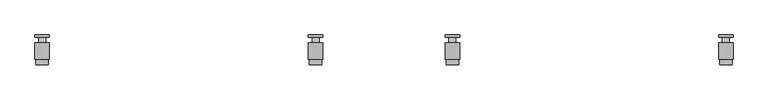
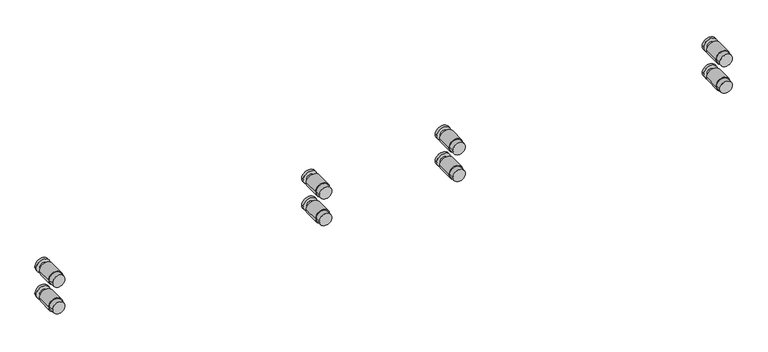
"""IFC4 building model written with IfcOpenShell, lengths in millimetres: railing geometry."""

from ifc_helpers import new_model, si_unit, frame, origin, place, context, project, spatial, circle_curve, source, transform, mapped, element, save
from ifc_brep_helpers import plane_surface, cylinder_surface, advanced_brep


def railing_08c0f5a3(model_context):
    return source(origin(), model_context, "Body", "AdvancedBrep", [
        advanced_brep(
        [(-11469.7747067, -26796.3362173, -150.0), (-11509.7747067, -26796.3362173, -150.0), (-11469.7747067, -26863.3362173, -150.0), (-11509.7747067, -26863.3362173, -150.0), (-11472.2747067, -26863.3362173, -150.0), (-11507.2747067, -26863.3362173, -150.0), (-11469.7747067, -26803.3362173, -150.0), (-11509.7747067, -26803.3362173, -150.0), (-11509.7747067, -26818.3362173, -150.0), (-11469.7747067, -26818.3362173, -150.0), (-11472.2747067, -26878.3362173, -150.0), (-11507.2747067, -26878.3362173, -150.0), (-11479.7747067, -26803.3362173, -150.0), (-11499.7747067, -26803.3362173, -150.0), (-11479.7747067, -26818.3362173, -150.0), (-11499.7747067, -26818.3362173, -150.0)],
        [
            (0, 1, circle_curve(frame((-11489.7747067, -26796.3362173, -150.0), z_axis=(0.0, 1.0, 0.0), x_axis=(-1.0000000000000002, 0.0, 0.0)), 20.0)),
            (1, 0, circle_curve(frame((-11489.7747067, -26796.3362173, -150.0), z_axis=(0.0, 1.0, 0.0), x_axis=(-1.0000000000000002, 0.0, 0.0)), 20.0)),
            (2, 3, circle_curve(frame((-11489.7747067, -26863.3362173, -150.0), z_axis=(0.0, -1.0, 0.0), x_axis=(-1.0000000000000002, 0.0, 0.0)), 20.0)),
            (3, 2, circle_curve(frame((-11489.7747067, -26863.3362173, -150.0), z_axis=(0.0, -1.0, 0.0), x_axis=(-1.0000000000000002, 0.0, 0.0)), 20.0)),
            (4, 5, circle_curve(frame((-11489.7747067, -26863.3362173, -150.0), z_axis=(0.0, 1.0, 0.0), x_axis=(-1.0000000000000002, 0.0, 0.0)), 17.5)),
            (5, 4, circle_curve(frame((-11489.7747067, -26863.3362173, -150.0), z_axis=(0.0, 1.0, 0.0), x_axis=(-1.0000000000000002, 0.0, 0.0)), 17.5)),
            (0, 6),
            (6, 7, circle_curve(frame((-11489.7747067, -26803.3362173, -150.0), z_axis=(0.0, 1.0, 0.0), x_axis=(-1.0000000000000002, 0.0, 0.0)), 20.0)),
            (7, 1),
            (3, 8),
            (8, 9, circle_curve(frame((-11489.7747067, -26818.3362173, -150.0), z_axis=(0.0, -1.0, 0.0), x_axis=(-1.0000000000000002, 0.0, 0.0)), 20.0)),
            (9, 2),
            (7, 6, circle_curve(frame((-11489.7747067, -26803.3362173, -150.0), z_axis=(0.0, 1.0, 0.0), x_axis=(-1.0000000000000002, 0.0, 0.0)), 20.0)),
            (9, 8, circle_curve(frame((-11489.7747067, -26818.3362173, -150.0), z_axis=(0.0, -1.0, 0.0), x_axis=(-1.0000000000000002, 0.0, 0.0)), 20.0)),
            (10, 11, circle_curve(frame((-11489.7747067, -26878.3362173, -150.0), z_axis=(0.0, -1.0, 0.0), x_axis=(-1.0000000000000002, 0.0, 0.0)), 17.5)),
            (11, 10, circle_curve(frame((-11489.7747067, -26878.3362173, -150.0), z_axis=(0.0, -1.0, 0.0), x_axis=(-1.0000000000000002, 0.0, 0.0)), 17.5)),
            (11, 5),
            (4, 10),
            (12, 13, circle_curve(frame((-11489.7747067, -26803.3362173, -150.0), z_axis=(0.0, 1.0, 0.0), x_axis=(-1.0000000000000002, 0.0, 0.0)), 10.0)),
            (13, 12, circle_curve(frame((-11489.7747067, -26803.3362173, -150.0), z_axis=(0.0, 1.0, 0.0), x_axis=(-1.0000000000000002, 0.0, 0.0)), 10.0)),
            (14, 15, circle_curve(frame((-11489.7747067, -26818.3362173, -150.0), z_axis=(0.0, -1.0, 0.0), x_axis=(-1.0000000000000002, 0.0, 0.0)), 10.0)),
            (15, 14, circle_curve(frame((-11489.7747067, -26818.3362173, -150.0), z_axis=(0.0, -1.0, 0.0), x_axis=(-1.0000000000000002, 0.0, 0.0)), 10.0)),
            (13, 15),
            (14, 12),
        ],
        [
            plane_surface(frame((-11509.7747067, -26796.3362173, -150.0), z_axis=(0.0, 1.0, 0.0), x_axis=(0.0, 0.0, 1.0))),
            plane_surface(frame((-11509.7747067, -26863.3362173, -150.0), z_axis=(0.0, -1.0, 0.0), x_axis=(0.0, 0.0, -1.0))),
            cylinder_surface(frame((-11489.7747067, -26863.3362173, -150.0), z_axis=(0.0, 1.0000000000000002, 0.0), x_axis=(-1.0000000000000002, 0.0, 0.0)), 20.0),
            plane_surface(frame((-11507.2747067, -26878.3362173, -150.0), z_axis=(0.0, -1.0, 0.0), x_axis=(0.0, 0.0, -1.0))),
            cylinder_surface(frame((-11489.7747067, -26878.3362173, -150.0), z_axis=(0.0, 1.0000000000000002, 0.0), x_axis=(-1.0000000000000002, 0.0, 0.0)), 17.5),
            plane_surface(frame((-11499.7747067, -26803.3362173, -150.0), z_axis=(0.0, -1.0, 0.0), x_axis=(0.0, 0.0, -1.0))),
            plane_surface(frame((-11499.7747067, -26818.3362173, -150.0), z_axis=(0.0, 1.0, 0.0), x_axis=(0.0, 0.0, 1.0))),
            cylinder_surface(frame((-11489.7747067, -26818.3362173, -150.0), z_axis=(0.0, -1.0000000000000002, 0.0), x_axis=(-1.0000000000000002, 0.0, 0.0)), 10.0),
        ],
        [
            (0, [[1, 2]]),
            (1, [[3, 4], [5, 6]]),
            (2, [[-1, 7, 8, 9]]),
            (2, [[-4, 10, 11, 12]]),
            (2, [[-2, -9, 13, -7]]),
            (2, [[-3, -12, 14, -10]]),
            (3, [[15, 16]]),
            (4, [[-16, 17, -5, 18]]),
            (4, [[-15, -18, -6, -17]]),
            (5, [[-8, -13], [19, 20]]),
            (6, [[-11, -14], [21, 22]]),
            (7, [[-20, 23, -21, 24]]),
            (7, [[-19, -24, -22, -23]]),
        ],
    ),
        advanced_brep(
        [(-11469.7747067, -26796.3362173, -70.0), (-11509.7747067, -26796.3362173, -70.0), (-11469.7747067, -26863.3362173, -70.0), (-11509.7747067, -26863.3362173, -70.0), (-11472.2747067, -26863.3362173, -70.0), (-11507.2747067, -26863.3362173, -70.0), (-11469.7747067, -26803.3362173, -70.0), (-11509.7747067, -26803.3362173, -70.0), (-11509.7747067, -26818.3362173, -70.0), (-11469.7747067, -26818.3362173, -70.0), (-11472.2747067, -26878.3362173, -70.0), (-11507.2747067, -26878.3362173, -70.0), (-11479.7747067, -26803.3362173, -70.0), (-11499.7747067, -26803.3362173, -70.0), (-11479.7747067, -26818.3362173, -70.0), (-11499.7747067, -26818.3362173, -70.0)],
        [
            (0, 1, circle_curve(frame((-11489.7747067, -26796.3362173, -70.0), z_axis=(0.0, 1.0, 0.0), x_axis=(-1.0000000000000002, 0.0, 0.0)), 20.0)),
            (1, 0, circle_curve(frame((-11489.7747067, -26796.3362173, -70.0), z_axis=(0.0, 1.0, 0.0), x_axis=(-1.0000000000000002, 0.0, 0.0)), 20.0)),
            (2, 3, circle_curve(frame((-11489.7747067, -26863.3362173, -70.0), z_axis=(0.0, -1.0, 0.0), x_axis=(-1.0000000000000002, 0.0, 0.0)), 20.0)),
            (3, 2, circle_curve(frame((-11489.7747067, -26863.3362173, -70.0), z_axis=(0.0, -1.0, 0.0), x_axis=(-1.0000000000000002, 0.0, 0.0)), 20.0)),
            (4, 5, circle_curve(frame((-11489.7747067, -26863.3362173, -70.0), z_axis=(0.0, 1.0, 0.0), x_axis=(-1.0000000000000002, 0.0, 0.0)), 17.5)),
            (5, 4, circle_curve(frame((-11489.7747067, -26863.3362173, -70.0), z_axis=(0.0, 1.0, 0.0), x_axis=(-1.0000000000000002, 0.0, 0.0)), 17.5)),
            (0, 6),
            (6, 7, circle_curve(frame((-11489.7747067, -26803.3362173, -70.0), z_axis=(0.0, 1.0, 0.0), x_axis=(-1.0000000000000002, 0.0, 0.0)), 20.0)),
            (7, 1),
            (3, 8),
            (8, 9, circle_curve(frame((-11489.7747067, -26818.3362173, -70.0), z_axis=(0.0, -1.0, 0.0), x_axis=(-1.0000000000000002, 0.0, 0.0)), 20.0)),
            (9, 2),
            (7, 6, circle_curve(frame((-11489.7747067, -26803.3362173, -70.0), z_axis=(0.0, 1.0, 0.0), x_axis=(-1.0000000000000002, 0.0, 0.0)), 20.0)),
            (9, 8, circle_curve(frame((-11489.7747067, -26818.3362173, -70.0), z_axis=(0.0, -1.0, 0.0), x_axis=(-1.0000000000000002, 0.0, 0.0)), 20.0)),
            (10, 11, circle_curve(frame((-11489.7747067, -26878.3362173, -70.0), z_axis=(0.0, -1.0, 0.0), x_axis=(-1.0000000000000002, 0.0, 0.0)), 17.5)),
            (11, 10, circle_curve(frame((-11489.7747067, -26878.3362173, -70.0), z_axis=(0.0, -1.0, 0.0), x_axis=(-1.0000000000000002, 0.0, 0.0)), 17.5)),
            (11, 5),
            (4, 10),
            (12, 13, circle_curve(frame((-11489.7747067, -26803.3362173, -70.0), z_axis=(0.0, 1.0, 0.0), x_axis=(-1.0000000000000002, 0.0, 0.0)), 10.0)),
            (13, 12, circle_curve(frame((-11489.7747067, -26803.3362173, -70.0), z_axis=(0.0, 1.0, 0.0), x_axis=(-1.0000000000000002, 0.0, 0.0)), 10.0)),
            (14, 15, circle_curve(frame((-11489.7747067, -26818.3362173, -70.0), z_axis=(0.0, -1.0, 0.0), x_axis=(-1.0000000000000002, 0.0, 0.0)), 10.0)),
            (15, 14, circle_curve(frame((-11489.7747067, -26818.3362173, -70.0), z_axis=(0.0, -1.0, 0.0), x_axis=(-1.0000000000000002, 0.0, 0.0)), 10.0)),
            (13, 15),
            (14, 12),
        ],
        [
            plane_surface(frame((-11509.7747067, -26796.3362173, -70.0), z_axis=(0.0, 1.0, 0.0), x_axis=(0.0, 0.0, 1.0))),
            plane_surface(frame((-11509.7747067, -26863.3362173, -70.0), z_axis=(0.0, -1.0, 0.0), x_axis=(0.0, 0.0, -1.0))),
            cylinder_surface(frame((-11489.7747067, -26863.3362173, -70.0), z_axis=(0.0, 1.0000000000000002, 0.0), x_axis=(-1.0000000000000002, 0.0, 0.0)), 20.0),
            plane_surface(frame((-11507.2747067, -26878.3362173, -70.0), z_axis=(0.0, -1.0, 0.0), x_axis=(0.0, 0.0, -1.0))),
            cylinder_surface(frame((-11489.7747067, -26878.3362173, -70.0), z_axis=(0.0, 1.0000000000000002, 0.0), x_axis=(-1.0000000000000002, 0.0, 0.0)), 17.5),
            plane_surface(frame((-11499.7747067, -26803.3362173, -70.0), z_axis=(0.0, -1.0, 0.0), x_axis=(0.0, 0.0, -1.0))),
            plane_surface(frame((-11499.7747067, -26818.3362173, -70.0), z_axis=(0.0, 1.0, 0.0), x_axis=(0.0, 0.0, 1.0))),
            cylinder_surface(frame((-11489.7747067, -26818.3362173, -70.0), z_axis=(0.0, -1.0000000000000002, 0.0), x_axis=(-1.0000000000000002, 0.0, 0.0)), 10.0),
        ],
        [
            (0, [[1, 2]]),
            (1, [[3, 4], [5, 6]]),
            (2, [[-1, 7, 8, 9]]),
            (2, [[-4, 10, 11, 12]]),
            (2, [[-2, -9, 13, -7]]),
            (2, [[-3, -12, 14, -10]]),
            (3, [[15, 16]]),
            (4, [[-16, 17, -5, 18]]),
            (4, [[-15, -18, -6, -17]]),
            (5, [[-8, -13], [19, 20]]),
            (6, [[-11, -14], [21, 22]]),
            (7, [[-20, 23, -21, 24]]),
            (7, [[-19, -24, -22, -23]]),
        ],
    ),
        advanced_brep(
        [(-12225.3302622, -26796.3362173, -150.0), (-12265.3302622, -26796.3362173, -150.0), (-12225.3302622, -26863.3362173, -150.0), (-12265.3302622, -26863.3362173, -150.0), (-12227.8302622, -26863.3362173, -150.0), (-12262.8302622, -26863.3362173, -150.0), (-12225.3302622, -26803.3362173, -150.0), (-12265.3302622, -26803.3362173, -150.0), (-12265.3302622, -26818.3362173, -150.0), (-12225.3302622, -26818.3362173, -150.0), (-12227.8302622, -26878.3362173, -150.0), (-12262.8302622, -26878.3362173, -150.0), (-12235.3302622, -26803.3362173, -150.0), (-12255.3302622, -26803.3362173, -150.0), (-12235.3302622, -26818.3362173, -150.0), (-12255.3302622, -26818.3362173, -150.0)],
        [
            (0, 1, circle_curve(frame((-12245.3302622, -26796.3362173, -150.0), z_axis=(0.0, 1.0, 0.0), x_axis=(-1.0000000000000002, 0.0, 0.0)), 20.0)),
            (1, 0, circle_curve(frame((-12245.3302622, -26796.3362173, -150.0), z_axis=(0.0, 1.0, 0.0), x_axis=(-1.0000000000000002, 0.0, 0.0)), 20.0)),
            (2, 3, circle_curve(frame((-12245.3302622, -26863.3362173, -150.0), z_axis=(0.0, -1.0, 0.0), x_axis=(-1.0000000000000002, 0.0, 0.0)), 20.0)),
            (3, 2, circle_curve(frame((-12245.3302622, -26863.3362173, -150.0), z_axis=(0.0, -1.0, 0.0), x_axis=(-1.0000000000000002, 0.0, 0.0)), 20.0)),
            (4, 5, circle_curve(frame((-12245.3302622, -26863.3362173, -150.0), z_axis=(0.0, 1.0, 0.0), x_axis=(-1.0000000000000002, 0.0, 0.0)), 17.5)),
            (5, 4, circle_curve(frame((-12245.3302622, -26863.3362173, -150.0), z_axis=(0.0, 1.0, 0.0), x_axis=(-1.0000000000000002, 0.0, 0.0)), 17.5)),
            (0, 6),
            (6, 7, circle_curve(frame((-12245.3302622, -26803.3362173, -150.0), z_axis=(0.0, 1.0, 0.0), x_axis=(-1.0000000000000002, 0.0, 0.0)), 20.0)),
            (7, 1),
            (3, 8),
            (8, 9, circle_curve(frame((-12245.3302622, -26818.3362173, -150.0), z_axis=(0.0, -1.0, 0.0), x_axis=(-1.0000000000000002, 0.0, 0.0)), 20.0)),
            (9, 2),
            (7, 6, circle_curve(frame((-12245.3302622, -26803.3362173, -150.0), z_axis=(0.0, 1.0, 0.0), x_axis=(-1.0000000000000002, 0.0, 0.0)), 20.0)),
            (9, 8, circle_curve(frame((-12245.3302622, -26818.3362173, -150.0), z_axis=(0.0, -1.0, 0.0), x_axis=(-1.0000000000000002, 0.0, 0.0)), 20.0)),
            (10, 11, circle_curve(frame((-12245.3302622, -26878.3362173, -150.0), z_axis=(0.0, -1.0, 0.0), x_axis=(-1.0000000000000002, 0.0, 0.0)), 17.5)),
            (11, 10, circle_curve(frame((-12245.3302622, -26878.3362173, -150.0), z_axis=(0.0, -1.0, 0.0), x_axis=(-1.0000000000000002, 0.0, 0.0)), 17.5)),
            (11, 5),
            (4, 10),
            (12, 13, circle_curve(frame((-12245.3302622, -26803.3362173, -150.0), z_axis=(0.0, 1.0, 0.0), x_axis=(-1.0000000000000002, 0.0, 0.0)), 10.0)),
            (13, 12, circle_curve(frame((-12245.3302622, -26803.3362173, -150.0), z_axis=(0.0, 1.0, 0.0), x_axis=(-1.0000000000000002, 0.0, 0.0)), 10.0)),
            (14, 15, circle_curve(frame((-12245.3302622, -26818.3362173, -150.0), z_axis=(0.0, -1.0, 0.0), x_axis=(-1.0000000000000002, 0.0, 0.0)), 10.0)),
            (15, 14, circle_curve(frame((-12245.3302622, -26818.3362173, -150.0), z_axis=(0.0, -1.0, 0.0), x_axis=(-1.0000000000000002, 0.0, 0.0)), 10.0)),
            (13, 15),
            (14, 12),
        ],
        [
            plane_surface(frame((-12265.3302622, -26796.3362173, -150.0), z_axis=(0.0, 1.0, 0.0), x_axis=(0.0, 0.0, 1.0))),
            plane_surface(frame((-12265.3302622, -26863.3362173, -150.0), z_axis=(0.0, -1.0, 0.0), x_axis=(0.0, 0.0, -1.0))),
            cylinder_surface(frame((-12245.3302622, -26863.3362173, -150.0), z_axis=(0.0, 1.0000000000000002, 0.0), x_axis=(-1.0000000000000002, 0.0, 0.0)), 20.0),
            plane_surface(frame((-12262.8302622, -26878.3362173, -150.0), z_axis=(0.0, -1.0, 0.0), x_axis=(0.0, 0.0, -1.0))),
            cylinder_surface(frame((-12245.3302622, -26878.3362173, -150.0), z_axis=(0.0, 1.0000000000000002, 0.0), x_axis=(-1.0000000000000002, 0.0, 0.0)), 17.5),
            plane_surface(frame((-12255.3302622, -26803.3362173, -150.0), z_axis=(0.0, -1.0, 0.0), x_axis=(0.0, 0.0, -1.0))),
            plane_surface(frame((-12255.3302622, -26818.3362173, -150.0), z_axis=(0.0, 1.0, 0.0), x_axis=(0.0, 0.0, 1.0))),
            cylinder_surface(frame((-12245.3302622, -26818.3362173, -150.0), z_axis=(0.0, -1.0000000000000002, 0.0), x_axis=(-1.0000000000000002, 0.0, 0.0)), 10.0),
        ],
        [
            (0, [[1, 2]]),
            (1, [[3, 4], [5, 6]]),
            (2, [[-1, 7, 8, 9]]),
            (2, [[-4, 10, 11, 12]]),
            (2, [[-2, -9, 13, -7]]),
            (2, [[-3, -12, 14, -10]]),
            (3, [[15, 16]]),
            (4, [[-16, 17, -5, 18]]),
            (4, [[-15, -18, -6, -17]]),
            (5, [[-8, -13], [19, 20]]),
            (6, [[-11, -14], [21, 22]]),
            (7, [[-20, 23, -21, 24]]),
            (7, [[-19, -24, -22, -23]]),
        ],
    ),
        advanced_brep(
        [(-12225.3302622, -26796.3362173, -70.0), (-12265.3302622, -26796.3362173, -70.0), (-12225.3302622, -26863.3362173, -70.0), (-12265.3302622, -26863.3362173, -70.0), (-12227.8302622, -26863.3362173, -70.0), (-12262.8302622, -26863.3362173, -70.0), (-12225.3302622, -26803.3362173, -70.0), (-12265.3302622, -26803.3362173, -70.0), (-12265.3302622, -26818.3362173, -70.0), (-12225.3302622, -26818.3362173, -70.0), (-12227.8302622, -26878.3362173, -70.0), (-12262.8302622, -26878.3362173, -70.0), (-12235.3302622, -26803.3362173, -70.0), (-12255.3302622, -26803.3362173, -70.0), (-12235.3302622, -26818.3362173, -70.0), (-12255.3302622, -26818.3362173, -70.0)],
        [
            (0, 1, circle_curve(frame((-12245.3302622, -26796.3362173, -70.0), z_axis=(0.0, 1.0, 0.0), x_axis=(-1.0000000000000002, 0.0, 0.0)), 20.0)),
            (1, 0, circle_curve(frame((-12245.3302622, -26796.3362173, -70.0), z_axis=(0.0, 1.0, 0.0), x_axis=(-1.0000000000000002, 0.0, 0.0)), 20.0)),
            (2, 3, circle_curve(frame((-12245.3302622, -26863.3362173, -70.0), z_axis=(0.0, -1.0, 0.0), x_axis=(-1.0000000000000002, 0.0, 0.0)), 20.0)),
            (3, 2, circle_curve(frame((-12245.3302622, -26863.3362173, -70.0), z_axis=(0.0, -1.0, 0.0), x_axis=(-1.0000000000000002, 0.0, 0.0)), 20.0)),
            (4, 5, circle_curve(frame((-12245.3302622, -26863.3362173, -70.0), z_axis=(0.0, 1.0, 0.0), x_axis=(-1.0000000000000002, 0.0, 0.0)), 17.5)),
            (5, 4, circle_curve(frame((-12245.3302622, -26863.3362173, -70.0), z_axis=(0.0, 1.0, 0.0), x_axis=(-1.0000000000000002, 0.0, 0.0)), 17.5)),
            (0, 6),
            (6, 7, circle_curve(frame((-12245.3302622, -26803.3362173, -70.0), z_axis=(0.0, 1.0, 0.0), x_axis=(-1.0000000000000002, 0.0, 0.0)), 20.0)),
            (7, 1),
            (3, 8),
            (8, 9, circle_curve(frame((-12245.3302622, -26818.3362173, -70.0), z_axis=(0.0, -1.0, 0.0), x_axis=(-1.0000000000000002, 0.0, 0.0)), 20.0)),
            (9, 2),
            (7, 6, circle_curve(frame((-12245.3302622, -26803.3362173, -70.0), z_axis=(0.0, 1.0, 0.0), x_axis=(-1.0000000000000002, 0.0, 0.0)), 20.0)),
            (9, 8, circle_curve(frame((-12245.3302622, -26818.3362173, -70.0), z_axis=(0.0, -1.0, 0.0), x_axis=(-1.0000000000000002, 0.0, 0.0)), 20.0)),
            (10, 11, circle_curve(frame((-12245.3302622, -26878.3362173, -70.0), z_axis=(0.0, -1.0, 0.0), x_axis=(-1.0000000000000002, 0.0, 0.0)), 17.5)),
            (11, 10, circle_curve(frame((-12245.3302622, -26878.3362173, -70.0), z_axis=(0.0, -1.0, 0.0), x_axis=(-1.0000000000000002, 0.0, 0.0)), 17.5)),
            (11, 5),
            (4, 10),
            (12, 13, circle_curve(frame((-12245.3302622, -26803.3362173, -70.0), z_axis=(0.0, 1.0, 0.0), x_axis=(-1.0000000000000002, 0.0, 0.0)), 10.0)),
            (13, 12, circle_curve(frame((-12245.3302622, -26803.3362173, -70.0), z_axis=(0.0, 1.0, 0.0), x_axis=(-1.0000000000000002, 0.0, 0.0)), 10.0)),
            (14, 15, circle_curve(frame((-12245.3302622, -26818.3362173, -70.0), z_axis=(0.0, -1.0, 0.0), x_axis=(-1.0000000000000002, 0.0, 0.0)), 10.0)),
            (15, 14, circle_curve(frame((-12245.3302622, -26818.3362173, -70.0), z_axis=(0.0, -1.0, 0.0), x_axis=(-1.0000000000000002, 0.0, 0.0)), 10.0)),
            (13, 15),
            (14, 12),
        ],
        [
            plane_surface(frame((-12265.3302622, -26796.3362173, -70.0), z_axis=(0.0, 1.0, 0.0), x_axis=(0.0, 0.0, 1.0))),
            plane_surface(frame((-12265.3302622, -26863.3362173, -70.0), z_axis=(0.0, -1.0, 0.0), x_axis=(0.0, 0.0, -1.0))),
            cylinder_surface(frame((-12245.3302622, -26863.3362173, -70.0), z_axis=(0.0, 1.0000000000000002, 0.0), x_axis=(-1.0000000000000002, 0.0, 0.0)), 20.0),
            plane_surface(frame((-12262.8302622, -26878.3362173, -70.0), z_axis=(0.0, -1.0, 0.0), x_axis=(0.0, 0.0, -1.0))),
            cylinder_surface(frame((-12245.3302622, -26878.3362173, -70.0), z_axis=(0.0, 1.0000000000000002, 0.0), x_axis=(-1.0000000000000002, 0.0, 0.0)), 17.5),
            plane_surface(frame((-12255.3302622, -26803.3362173, -70.0), z_axis=(0.0, -1.0, 0.0), x_axis=(0.0, 0.0, -1.0))),
            plane_surface(frame((-12255.3302622, -26818.3362173, -70.0), z_axis=(0.0, 1.0, 0.0), x_axis=(0.0, 0.0, 1.0))),
            cylinder_surface(frame((-12245.3302622, -26818.3362173, -70.0), z_axis=(0.0, -1.0000000000000002, 0.0), x_axis=(-1.0000000000000002, 0.0, 0.0)), 10.0),
        ],
        [
            (0, [[1, 2]]),
            (1, [[3, 4], [5, 6]]),
            (2, [[-1, 7, 8, 9]]),
            (2, [[-4, 10, 11, 12]]),
            (2, [[-2, -9, 13, -7]]),
            (2, [[-3, -12, 14, -10]]),
            (3, [[15, 16]]),
            (4, [[-16, 17, -5, 18]]),
            (4, [[-15, -18, -6, -17]]),
            (5, [[-8, -13], [19, 20]]),
            (6, [[-11, -14], [21, 22]]),
            (7, [[-20, 23, -21, 24]]),
            (7, [[-19, -24, -22, -23]]),
        ],
    ),
        advanced_brep(
        [(-12603.10804, -26796.3362173, -150.0), (-12643.10804, -26796.3362173, -150.0), (-12603.10804, -26863.3362173, -150.0), (-12643.10804, -26863.3362173, -150.0), (-12605.60804, -26863.3362173, -150.0), (-12640.60804, -26863.3362173, -150.0), (-12603.10804, -26803.3362173, -150.0), (-12643.10804, -26803.3362173, -150.0), (-12643.10804, -26818.3362173, -150.0), (-12603.10804, -26818.3362173, -150.0), (-12605.60804, -26878.3362173, -150.0), (-12640.60804, -26878.3362173, -150.0), (-12613.10804, -26803.3362173, -150.0), (-12633.10804, -26803.3362173, -150.0), (-12613.10804, -26818.3362173, -150.0), (-12633.10804, -26818.3362173, -150.0)],
        [
            (0, 1, circle_curve(frame((-12623.10804, -26796.3362173, -150.0), z_axis=(0.0, 1.0, 0.0), x_axis=(-1.0000000000000002, 0.0, 0.0)), 20.0)),
            (1, 0, circle_curve(frame((-12623.10804, -26796.3362173, -150.0), z_axis=(0.0, 1.0, 0.0), x_axis=(-1.0000000000000002, 0.0, 0.0)), 20.0)),
            (2, 3, circle_curve(frame((-12623.10804, -26863.3362173, -150.0), z_axis=(0.0, -1.0, 0.0), x_axis=(-1.0000000000000002, 0.0, 0.0)), 20.0)),
            (3, 2, circle_curve(frame((-12623.10804, -26863.3362173, -150.0), z_axis=(0.0, -1.0, 0.0), x_axis=(-1.0000000000000002, 0.0, 0.0)), 20.0)),
            (4, 5, circle_curve(frame((-12623.10804, -26863.3362173, -150.0), z_axis=(0.0, 1.0, 0.0), x_axis=(-1.0000000000000002, 0.0, 0.0)), 17.5)),
            (5, 4, circle_curve(frame((-12623.10804, -26863.3362173, -150.0), z_axis=(0.0, 1.0, 0.0), x_axis=(-1.0000000000000002, 0.0, 0.0)), 17.5)),
            (0, 6),
            (6, 7, circle_curve(frame((-12623.10804, -26803.3362173, -150.0), z_axis=(0.0, 1.0, 0.0), x_axis=(-1.0000000000000002, 0.0, 0.0)), 20.0)),
            (7, 1),
            (3, 8),
            (8, 9, circle_curve(frame((-12623.10804, -26818.3362173, -150.0), z_axis=(0.0, -1.0, 0.0), x_axis=(-1.0000000000000002, 0.0, 0.0)), 20.0)),
            (9, 2),
            (7, 6, circle_curve(frame((-12623.10804, -26803.3362173, -150.0), z_axis=(0.0, 1.0, 0.0), x_axis=(-1.0000000000000002, 0.0, 0.0)), 20.0)),
            (9, 8, circle_curve(frame((-12623.10804, -26818.3362173, -150.0), z_axis=(0.0, -1.0, 0.0), x_axis=(-1.0000000000000002, 0.0, 0.0)), 20.0)),
            (10, 11, circle_curve(frame((-12623.10804, -26878.3362173, -150.0), z_axis=(0.0, -1.0, 0.0), x_axis=(-1.0000000000000002, 0.0, 0.0)), 17.5)),
            (11, 10, circle_curve(frame((-12623.10804, -26878.3362173, -150.0), z_axis=(0.0, -1.0, 0.0), x_axis=(-1.0000000000000002, 0.0, 0.0)), 17.5)),
            (11, 5),
            (4, 10),
            (12, 13, circle_curve(frame((-12623.10804, -26803.3362173, -150.0), z_axis=(0.0, 1.0, 0.0), x_axis=(-1.0000000000000002, 0.0, 0.0)), 10.0)),
            (13, 12, circle_curve(frame((-12623.10804, -26803.3362173, -150.0), z_axis=(0.0, 1.0, 0.0), x_axis=(-1.0000000000000002, 0.0, 0.0)), 10.0)),
            (14, 15, circle_curve(frame((-12623.10804, -26818.3362173, -150.0), z_axis=(0.0, -1.0, 0.0), x_axis=(-1.0000000000000002, 0.0, 0.0)), 10.0)),
            (15, 14, circle_curve(frame((-12623.10804, -26818.3362173, -150.0), z_axis=(0.0, -1.0, 0.0), x_axis=(-1.0000000000000002, 0.0, 0.0)), 10.0)),
            (13, 15),
            (14, 12),
        ],
        [
            plane_surface(frame((-12643.10804, -26796.3362173, -150.0), z_axis=(0.0, 1.0, 0.0), x_axis=(0.0, 0.0, 1.0))),
            plane_surface(frame((-12643.10804, -26863.3362173, -150.0), z_axis=(0.0, -1.0, 0.0), x_axis=(0.0, 0.0, -1.0))),
            cylinder_surface(frame((-12623.10804, -26863.3362173, -150.0), z_axis=(0.0, 1.0000000000000002, 0.0), x_axis=(-1.0000000000000002, 0.0, 0.0)), 20.0),
            plane_surface(frame((-12640.60804, -26878.3362173, -150.0), z_axis=(0.0, -1.0, 0.0), x_axis=(0.0, 0.0, -1.0))),
            cylinder_surface(frame((-12623.10804, -26878.3362173, -150.0), z_axis=(0.0, 1.0000000000000002, 0.0), x_axis=(-1.0000000000000002, 0.0, 0.0)), 17.5),
            plane_surface(frame((-12633.10804, -26803.3362173, -150.0), z_axis=(0.0, -1.0, 0.0), x_axis=(0.0, 0.0, -1.0))),
            plane_surface(frame((-12633.10804, -26818.3362173, -150.0), z_axis=(0.0, 1.0, 0.0), x_axis=(0.0, 0.0, 1.0))),
            cylinder_surface(frame((-12623.10804, -26818.3362173, -150.0), z_axis=(0.0, -1.0000000000000002, 0.0), x_axis=(-1.0000000000000002, 0.0, 0.0)), 10.0),
        ],
        [
            (0, [[1, 2]]),
            (1, [[3, 4], [5, 6]]),
            (2, [[-1, 7, 8, 9]]),
            (2, [[-4, 10, 11, 12]]),
            (2, [[-2, -9, 13, -7]]),
            (2, [[-3, -12, 14, -10]]),
            (3, [[15, 16]]),
            (4, [[-16, 17, -5, 18]]),
            (4, [[-15, -18, -6, -17]]),
            (5, [[-8, -13], [19, 20]]),
            (6, [[-11, -14], [21, 22]]),
            (7, [[-20, 23, -21, 24]]),
            (7, [[-19, -24, -22, -23]]),
        ],
    ),
        advanced_brep(
        [(-12603.10804, -26796.3362173, -70.0), (-12643.10804, -26796.3362173, -70.0), (-12603.10804, -26863.3362173, -70.0), (-12643.10804, -26863.3362173, -70.0), (-12605.60804, -26863.3362173, -70.0), (-12640.60804, -26863.3362173, -70.0), (-12603.10804, -26803.3362173, -70.0), (-12643.10804, -26803.3362173, -70.0), (-12643.10804, -26818.3362173, -70.0), (-12603.10804, -26818.3362173, -70.0), (-12605.60804, -26878.3362173, -70.0), (-12640.60804, -26878.3362173, -70.0), (-12613.10804, -26803.3362173, -70.0), (-12633.10804, -26803.3362173, -70.0), (-12613.10804, -26818.3362173, -70.0), (-12633.10804, -26818.3362173, -70.0)],
        [
            (0, 1, circle_curve(frame((-12623.10804, -26796.3362173, -70.0), z_axis=(0.0, 1.0, 0.0), x_axis=(-1.0000000000000002, 0.0, 0.0)), 20.0)),
            (1, 0, circle_curve(frame((-12623.10804, -26796.3362173, -70.0), z_axis=(0.0, 1.0, 0.0), x_axis=(-1.0000000000000002, 0.0, 0.0)), 20.0)),
            (2, 3, circle_curve(frame((-12623.10804, -26863.3362173, -70.0), z_axis=(0.0, -1.0, 0.0), x_axis=(-1.0000000000000002, 0.0, 0.0)), 20.0)),
            (3, 2, circle_curve(frame((-12623.10804, -26863.3362173, -70.0), z_axis=(0.0, -1.0, 0.0), x_axis=(-1.0000000000000002, 0.0, 0.0)), 20.0)),
            (4, 5, circle_curve(frame((-12623.10804, -26863.3362173, -70.0), z_axis=(0.0, 1.0, 0.0), x_axis=(-1.0000000000000002, 0.0, 0.0)), 17.5)),
            (5, 4, circle_curve(frame((-12623.10804, -26863.3362173, -70.0), z_axis=(0.0, 1.0, 0.0), x_axis=(-1.0000000000000002, 0.0, 0.0)), 17.5)),
            (0, 6),
            (6, 7, circle_curve(frame((-12623.10804, -26803.3362173, -70.0), z_axis=(0.0, 1.0, 0.0), x_axis=(-1.0000000000000002, 0.0, 0.0)), 20.0)),
            (7, 1),
            (3, 8),
            (8, 9, circle_curve(frame((-12623.10804, -26818.3362173, -70.0), z_axis=(0.0, -1.0, 0.0), x_axis=(-1.0000000000000002, 0.0, 0.0)), 20.0)),
            (9, 2),
            (7, 6, circle_curve(frame((-12623.10804, -26803.3362173, -70.0), z_axis=(0.0, 1.0, 0.0), x_axis=(-1.0000000000000002, 0.0, 0.0)), 20.0)),
            (9, 8, circle_curve(frame((-12623.10804, -26818.3362173, -70.0), z_axis=(0.0, -1.0, 0.0), x_axis=(-1.0000000000000002, 0.0, 0.0)), 20.0)),
            (10, 11, circle_curve(frame((-12623.10804, -26878.3362173, -70.0), z_axis=(0.0, -1.0, 0.0), x_axis=(-1.0000000000000002, 0.0, 0.0)), 17.5)),
            (11, 10, circle_curve(frame((-12623.10804, -26878.3362173, -70.0), z_axis=(0.0, -1.0, 0.0), x_axis=(-1.0000000000000002, 0.0, 0.0)), 17.5)),
            (11, 5),
            (4, 10),
            (12, 13, circle_curve(frame((-12623.10804, -26803.3362173, -70.0), z_axis=(0.0, 1.0, 0.0), x_axis=(-1.0000000000000002, 0.0, 0.0)), 10.0)),
            (13, 12, circle_curve(frame((-12623.10804, -26803.3362173, -70.0), z_axis=(0.0, 1.0, 0.0), x_axis=(-1.0000000000000002, 0.0, 0.0)), 10.0)),
            (14, 15, circle_curve(frame((-12623.10804, -26818.3362173, -70.0), z_axis=(0.0, -1.0, 0.0), x_axis=(-1.0000000000000002, 0.0, 0.0)), 10.0)),
            (15, 14, circle_curve(frame((-12623.10804, -26818.3362173, -70.0), z_axis=(0.0, -1.0, 0.0), x_axis=(-1.0000000000000002, 0.0, 0.0)), 10.0)),
            (13, 15),
            (14, 12),
        ],
        [
            plane_surface(frame((-12643.10804, -26796.3362173, -70.0), z_axis=(0.0, 1.0, 0.0), x_axis=(0.0, 0.0, 1.0))),
            plane_surface(frame((-12643.10804, -26863.3362173, -70.0), z_axis=(0.0, -1.0, 0.0), x_axis=(0.0, 0.0, -1.0))),
            cylinder_surface(frame((-12623.10804, -26863.3362173, -70.0), z_axis=(0.0, 1.0000000000000002, 0.0), x_axis=(-1.0000000000000002, 0.0, 0.0)), 20.0),
            plane_surface(frame((-12640.60804, -26878.3362173, -70.0), z_axis=(0.0, -1.0, 0.0), x_axis=(0.0, 0.0, -1.0))),
            cylinder_surface(frame((-12623.10804, -26878.3362173, -70.0), z_axis=(0.0, 1.0000000000000002, 0.0), x_axis=(-1.0000000000000002, 0.0, 0.0)), 17.5),
            plane_surface(frame((-12633.10804, -26803.3362173, -70.0), z_axis=(0.0, -1.0, 0.0), x_axis=(0.0, 0.0, -1.0))),
            plane_surface(frame((-12633.10804, -26818.3362173, -70.0), z_axis=(0.0, 1.0, 0.0), x_axis=(0.0, 0.0, 1.0))),
            cylinder_surface(frame((-12623.10804, -26818.3362173, -70.0), z_axis=(0.0, -1.0000000000000002, 0.0), x_axis=(-1.0000000000000002, 0.0, 0.0)), 10.0),
        ],
        [
            (0, [[1, 2]]),
            (1, [[3, 4], [5, 6]]),
            (2, [[-1, 7, 8, 9]]),
            (2, [[-4, 10, 11, 12]]),
            (2, [[-2, -9, 13, -7]]),
            (2, [[-3, -12, 14, -10]]),
            (3, [[15, 16]]),
            (4, [[-16, 17, -5, 18]]),
            (4, [[-15, -18, -6, -17]]),
            (5, [[-8, -13], [19, 20]]),
            (6, [[-11, -14], [21, 22]]),
            (7, [[-20, 23, -21, 24]]),
            (7, [[-19, -24, -22, -23]]),
        ],
    ),
        advanced_brep(
        [(-13358.6635956, -26796.3362173, -150.0), (-13398.6635956, -26796.3362173, -150.0), (-13358.6635956, -26863.3362173, -150.0), (-13398.6635956, -26863.3362173, -150.0), (-13361.1635956, -26863.3362173, -150.0), (-13396.1635956, -26863.3362173, -150.0), (-13358.6635956, -26803.3362173, -150.0), (-13398.6635956, -26803.3362173, -150.0), (-13398.6635956, -26818.3362173, -150.0), (-13358.6635956, -26818.3362173, -150.0), (-13361.1635956, -26878.3362173, -150.0), (-13396.1635956, -26878.3362173, -150.0), (-13368.6635956, -26803.3362173, -150.0), (-13388.6635956, -26803.3362173, -150.0), (-13368.6635956, -26818.3362173, -150.0), (-13388.6635956, -26818.3362173, -150.0)],
        [
            (0, 1, circle_curve(frame((-13378.6635956, -26796.3362173, -150.0), z_axis=(0.0, 1.0, 0.0), x_axis=(-1.0000000000000002, 0.0, 0.0)), 20.0)),
            (1, 0, circle_curve(frame((-13378.6635956, -26796.3362173, -150.0), z_axis=(0.0, 1.0, 0.0), x_axis=(-1.0000000000000002, 0.0, 0.0)), 20.0)),
            (2, 3, circle_curve(frame((-13378.6635956, -26863.3362173, -150.0), z_axis=(0.0, -1.0, 0.0), x_axis=(-1.0000000000000002, 0.0, 0.0)), 20.0)),
            (3, 2, circle_curve(frame((-13378.6635956, -26863.3362173, -150.0), z_axis=(0.0, -1.0, 0.0), x_axis=(-1.0000000000000002, 0.0, 0.0)), 20.0)),
            (4, 5, circle_curve(frame((-13378.6635956, -26863.3362173, -150.0), z_axis=(0.0, 1.0, 0.0), x_axis=(-1.0000000000000002, 0.0, 0.0)), 17.5)),
            (5, 4, circle_curve(frame((-13378.6635956, -26863.3362173, -150.0), z_axis=(0.0, 1.0, 0.0), x_axis=(-1.0000000000000002, 0.0, 0.0)), 17.5)),
            (0, 6),
            (6, 7, circle_curve(frame((-13378.6635956, -26803.3362173, -150.0), z_axis=(0.0, 1.0, 0.0), x_axis=(-1.0000000000000002, 0.0, 0.0)), 20.0)),
            (7, 1),
            (3, 8),
            (8, 9, circle_curve(frame((-13378.6635956, -26818.3362173, -150.0), z_axis=(0.0, -1.0, 0.0), x_axis=(-1.0000000000000002, 0.0, 0.0)), 20.0)),
            (9, 2),
            (7, 6, circle_curve(frame((-13378.6635956, -26803.3362173, -150.0), z_axis=(0.0, 1.0, 0.0), x_axis=(-1.0000000000000002, 0.0, 0.0)), 20.0)),
            (9, 8, circle_curve(frame((-13378.6635956, -26818.3362173, -150.0), z_axis=(0.0, -1.0, 0.0), x_axis=(-1.0000000000000002, 0.0, 0.0)), 20.0)),
            (10, 11, circle_curve(frame((-13378.6635956, -26878.3362173, -150.0), z_axis=(0.0, -1.0, 0.0), x_axis=(-1.0000000000000002, 0.0, 0.0)), 17.5)),
            (11, 10, circle_curve(frame((-13378.6635956, -26878.3362173, -150.0), z_axis=(0.0, -1.0, 0.0), x_axis=(-1.0000000000000002, 0.0, 0.0)), 17.5)),
            (11, 5),
            (4, 10),
            (12, 13, circle_curve(frame((-13378.6635956, -26803.3362173, -150.0), z_axis=(0.0, 1.0, 0.0), x_axis=(-1.0000000000000002, 0.0, 0.0)), 10.0)),
            (13, 12, circle_curve(frame((-13378.6635956, -26803.3362173, -150.0), z_axis=(0.0, 1.0, 0.0), x_axis=(-1.0000000000000002, 0.0, 0.0)), 10.0)),
            (14, 15, circle_curve(frame((-13378.6635956, -26818.3362173, -150.0), z_axis=(0.0, -1.0, 0.0), x_axis=(-1.0000000000000002, 0.0, 0.0)), 10.0)),
            (15, 14, circle_curve(frame((-13378.6635956, -26818.3362173, -150.0), z_axis=(0.0, -1.0, 0.0), x_axis=(-1.0000000000000002, 0.0, 0.0)), 10.0)),
            (13, 15),
            (14, 12),
        ],
        [
            plane_surface(frame((-13398.6635956, -26796.3362173, -150.0), z_axis=(0.0, 1.0, 0.0), x_axis=(0.0, 0.0, 1.0))),
            plane_surface(frame((-13398.6635956, -26863.3362173, -150.0), z_axis=(0.0, -1.0, 0.0), x_axis=(0.0, 0.0, -1.0))),
            cylinder_surface(frame((-13378.6635956, -26863.3362173, -150.0), z_axis=(0.0, 1.0000000000000002, 0.0), x_axis=(-1.0000000000000002, 0.0, 0.0)), 20.0),
            plane_surface(frame((-13396.1635956, -26878.3362173, -150.0), z_axis=(0.0, -1.0, 0.0), x_axis=(0.0, 0.0, -1.0))),
            cylinder_surface(frame((-13378.6635956, -26878.3362173, -150.0), z_axis=(0.0, 1.0000000000000002, 0.0), x_axis=(-1.0000000000000002, 0.0, 0.0)), 17.5),
            plane_surface(frame((-13388.6635956, -26803.3362173, -150.0), z_axis=(0.0, -1.0, 0.0), x_axis=(0.0, 0.0, -1.0))),
            plane_surface(frame((-13388.6635956, -26818.3362173, -150.0), z_axis=(0.0, 1.0, 0.0), x_axis=(0.0, 0.0, 1.0))),
            cylinder_surface(frame((-13378.6635956, -26818.3362173, -150.0), z_axis=(0.0, -1.0000000000000002, 0.0), x_axis=(-1.0000000000000002, 0.0, 0.0)), 10.0),
        ],
        [
            (0, [[1, 2]]),
            (1, [[3, 4], [5, 6]]),
            (2, [[-1, 7, 8, 9]]),
            (2, [[-4, 10, 11, 12]]),
            (2, [[-2, -9, 13, -7]]),
            (2, [[-3, -12, 14, -10]]),
            (3, [[15, 16]]),
            (4, [[-16, 17, -5, 18]]),
            (4, [[-15, -18, -6, -17]]),
            (5, [[-8, -13], [19, 20]]),
            (6, [[-11, -14], [21, 22]]),
            (7, [[-20, 23, -21, 24]]),
            (7, [[-19, -24, -22, -23]]),
        ],
    ),
        advanced_brep(
        [(-13358.6635956, -26796.3362173, -70.0), (-13398.6635956, -26796.3362173, -70.0), (-13358.6635956, -26863.3362173, -70.0), (-13398.6635956, -26863.3362173, -70.0), (-13361.1635956, -26863.3362173, -70.0), (-13396.1635956, -26863.3362173, -70.0), (-13358.6635956, -26803.3362173, -70.0), (-13398.6635956, -26803.3362173, -70.0), (-13398.6635956, -26818.3362173, -70.0), (-13358.6635956, -26818.3362173, -70.0), (-13361.1635956, -26878.3362173, -70.0), (-13396.1635956, -26878.3362173, -70.0), (-13368.6635956, -26803.3362173, -70.0), (-13388.6635956, -26803.3362173, -70.0), (-13368.6635956, -26818.3362173, -70.0), (-13388.6635956, -26818.3362173, -70.0)],
        [
            (0, 1, circle_curve(frame((-13378.6635956, -26796.3362173, -70.0), z_axis=(0.0, 1.0, 0.0), x_axis=(-1.0000000000000002, 0.0, 0.0)), 20.0)),
            (1, 0, circle_curve(frame((-13378.6635956, -26796.3362173, -70.0), z_axis=(0.0, 1.0, 0.0), x_axis=(-1.0000000000000002, 0.0, 0.0)), 20.0)),
            (2, 3, circle_curve(frame((-13378.6635956, -26863.3362173, -70.0), z_axis=(0.0, -1.0, 0.0), x_axis=(-1.0000000000000002, 0.0, 0.0)), 20.0)),
            (3, 2, circle_curve(frame((-13378.6635956, -26863.3362173, -70.0), z_axis=(0.0, -1.0, 0.0), x_axis=(-1.0000000000000002, 0.0, 0.0)), 20.0)),
            (4, 5, circle_curve(frame((-13378.6635956, -26863.3362173, -70.0), z_axis=(0.0, 1.0, 0.0), x_axis=(-1.0000000000000002, 0.0, 0.0)), 17.5)),
            (5, 4, circle_curve(frame((-13378.6635956, -26863.3362173, -70.0), z_axis=(0.0, 1.0, 0.0), x_axis=(-1.0000000000000002, 0.0, 0.0)), 17.5)),
            (0, 6),
            (6, 7, circle_curve(frame((-13378.6635956, -26803.3362173, -70.0), z_axis=(0.0, 1.0, 0.0), x_axis=(-1.0000000000000002, 0.0, 0.0)), 20.0)),
            (7, 1),
            (3, 8),
            (8, 9, circle_curve(frame((-13378.6635956, -26818.3362173, -70.0), z_axis=(0.0, -1.0, 0.0), x_axis=(-1.0000000000000002, 0.0, 0.0)), 20.0)),
            (9, 2),
            (7, 6, circle_curve(frame((-13378.6635956, -26803.3362173, -70.0), z_axis=(0.0, 1.0, 0.0), x_axis=(-1.0000000000000002, 0.0, 0.0)), 20.0)),
            (9, 8, circle_curve(frame((-13378.6635956, -26818.3362173, -70.0), z_axis=(0.0, -1.0, 0.0), x_axis=(-1.0000000000000002, 0.0, 0.0)), 20.0)),
            (10, 11, circle_curve(frame((-13378.6635956, -26878.3362173, -70.0), z_axis=(0.0, -1.0, 0.0), x_axis=(-1.0000000000000002, 0.0, 0.0)), 17.5)),
            (11, 10, circle_curve(frame((-13378.6635956, -26878.3362173, -70.0), z_axis=(0.0, -1.0, 0.0), x_axis=(-1.0000000000000002, 0.0, 0.0)), 17.5)),
            (11, 5),
            (4, 10),
            (12, 13, circle_curve(frame((-13378.6635956, -26803.3362173, -70.0), z_axis=(0.0, 1.0, 0.0), x_axis=(-1.0000000000000002, 0.0, 0.0)), 10.0)),
            (13, 12, circle_curve(frame((-13378.6635956, -26803.3362173, -70.0), z_axis=(0.0, 1.0, 0.0), x_axis=(-1.0000000000000002, 0.0, 0.0)), 10.0)),
            (14, 15, circle_curve(frame((-13378.6635956, -26818.3362173, -70.0), z_axis=(0.0, -1.0, 0.0), x_axis=(-1.0000000000000002, 0.0, 0.0)), 10.0)),
            (15, 14, circle_curve(frame((-13378.6635956, -26818.3362173, -70.0), z_axis=(0.0, -1.0, 0.0), x_axis=(-1.0000000000000002, 0.0, 0.0)), 10.0)),
            (13, 15),
            (14, 12),
        ],
        [
            plane_surface(frame((-13398.6635956, -26796.3362173, -70.0), z_axis=(0.0, 1.0, 0.0), x_axis=(0.0, 0.0, 1.0))),
            plane_surface(frame((-13398.6635956, -26863.3362173, -70.0), z_axis=(0.0, -1.0, 0.0), x_axis=(0.0, 0.0, -1.0))),
            cylinder_surface(frame((-13378.6635956, -26863.3362173, -70.0), z_axis=(0.0, 1.0000000000000002, 0.0), x_axis=(-1.0000000000000002, 0.0, 0.0)), 20.0),
            plane_surface(frame((-13396.1635956, -26878.3362173, -70.0), z_axis=(0.0, -1.0, 0.0), x_axis=(0.0, 0.0, -1.0))),
            cylinder_surface(frame((-13378.6635956, -26878.3362173, -70.0), z_axis=(0.0, 1.0000000000000002, 0.0), x_axis=(-1.0000000000000002, 0.0, 0.0)), 17.5),
            plane_surface(frame((-13388.6635956, -26803.3362173, -70.0), z_axis=(0.0, -1.0, 0.0), x_axis=(0.0, 0.0, -1.0))),
            plane_surface(frame((-13388.6635956, -26818.3362173, -70.0), z_axis=(0.0, 1.0, 0.0), x_axis=(0.0, 0.0, 1.0))),
            cylinder_surface(frame((-13378.6635956, -26818.3362173, -70.0), z_axis=(0.0, -1.0000000000000002, 0.0), x_axis=(-1.0000000000000002, 0.0, 0.0)), 10.0),
        ],
        [
            (0, [[1, 2]]),
            (1, [[3, 4], [5, 6]]),
            (2, [[-1, 7, 8, 9]]),
            (2, [[-4, 10, 11, 12]]),
            (2, [[-2, -9, 13, -7]]),
            (2, [[-3, -12, 14, -10]]),
            (3, [[15, 16]]),
            (4, [[-16, 17, -5, 18]]),
            (4, [[-15, -18, -6, -17]]),
            (5, [[-8, -13], [19, 20]]),
            (6, [[-11, -14], [21, 22]]),
            (7, [[-20, 23, -21, 24]]),
            (7, [[-19, -24, -22, -23]]),
        ],
    ),
    ])


if __name__ == "__main__":
    model = new_model("IFC4")
    model_context = context("Model", 3, world=origin())
    ifc_project = project(units=[si_unit("LENGTHUNIT", "METRE", prefix="MILLI")], contexts=[model_context])
    site = spatial("IfcSite", under=ifc_project)
    building = spatial("IfcBuilding", under=site)
    placement = place(None, origin())
    railing_shape = railing_08c0f5a3(model_context)
    element("IfcRailing", 1, at=placement, inside=building, context=model_context, shape_type="MappedRepresentation", body=[
        mapped(railing_shape, transform((0.0, 0.0, 0.0), x_axis=(1.0, 0.0, 0.0), y_axis=(0.0, 1.0, 0.0), z_axis=(0.0, 0.0, 1.0))),
    ])
    save(model, "model.ifc")
